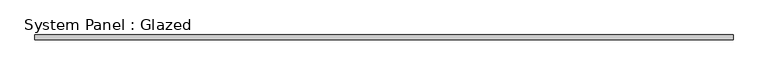
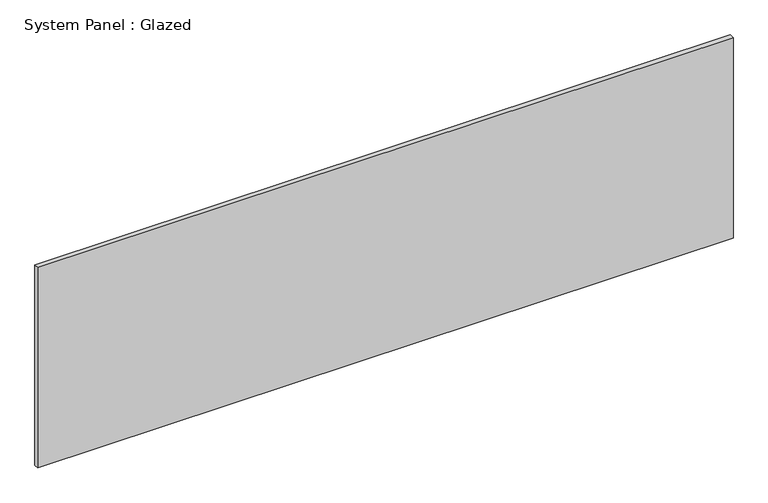
"""IFC4 building model written with IfcOpenShell, lengths in millimetres: plate geometry, System Panel : Glazed."""

from ifc_helpers import new_model, si_unit, origin, origin_with_axes, place, context, project, spatial, polyline, outline, extrude, source, transform, mapped, element, save


def system_panel_glazed_93396dbc(model_context):
    return source(origin(), model_context, "Body", "SweptSolid", [
        extrude(outline(polyline([(1845.0038172, 19.05), (-1845.0038172, 19.05), (-1845.0038172, 44.45), (1845.0038172, 44.45), (1845.0038172, 19.05)])), origin_with_axes(), (0.0, 0.0, 1.0), 1123.95),
    ])


if __name__ == "__main__":
    model = new_model("IFC4")
    model_context = context("Model", 3, world=origin())
    ifc_project = project(units=[si_unit("LENGTHUNIT", "METRE", prefix="MILLI")], contexts=[model_context])
    site = spatial("IfcSite", under=ifc_project)
    building = spatial("IfcBuilding", under=site)
    placement = place(None, origin())
    system_panel_glazed_shape = system_panel_glazed_93396dbc(model_context)
    element("IfcPlate", 1, ObjectType="System Panel : Glazed", at=placement, inside=building, context=model_context, shape_type="MappedRepresentation", body=[
        mapped(system_panel_glazed_shape, transform((0.0, 0.0, 0.0), x_axis=(1.0, 0.0, 0.0), y_axis=(0.0, 1.0, 0.0), z_axis=(0.0, 0.0, 1.0))),
    ])
    save(model, "model.ifc")
